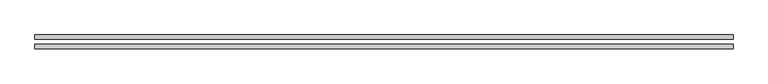
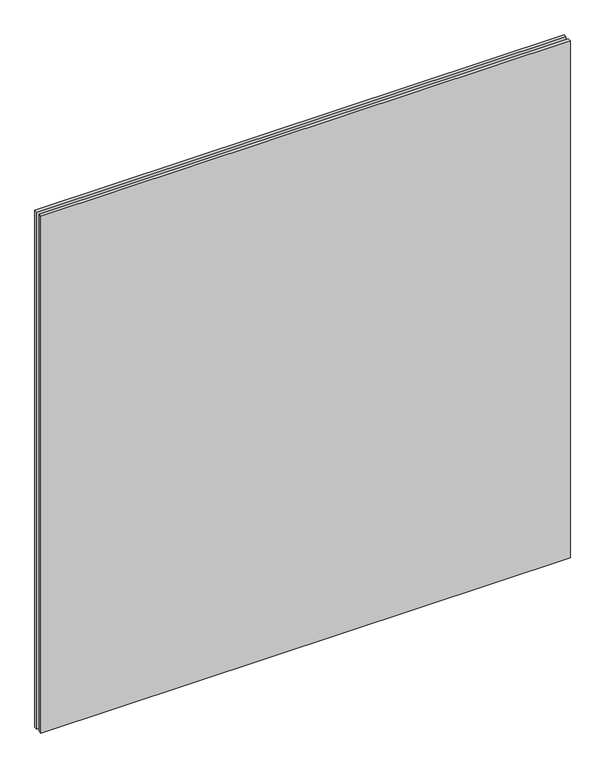
"""IFC4 building model written with IfcOpenShell, lengths in millimetres: plate geometry."""

from ifc_helpers import new_model, si_unit, origin, origin_with_axes, place, context, project, spatial, polyline, outline, extrude, source, transform, mapped, element, save


def plate_a096d16b(model_context):
    return source(origin(), model_context, "Body", "SweptSolid", [
        extrude(outline(polyline([(632.5, -4.5), (632.5, -12.5), (-632.5, -12.5), (-632.5, -4.5), (632.5, -4.5)])), origin_with_axes(), (0.0, 0.0, 1.0), 1305.0),
        extrude(outline(polyline([(632.5, 4.5), (-632.5, 4.5), (-632.5, 12.5), (632.5, 12.5), (632.5, 4.5)])), origin_with_axes(), (0.0, 0.0, 1.0), 1305.0),
    ])


if __name__ == "__main__":
    model = new_model("IFC4")
    model_context = context("Model", 3, world=origin())
    ifc_project = project(units=[si_unit("LENGTHUNIT", "METRE", prefix="MILLI")], contexts=[model_context])
    site = spatial("IfcSite", under=ifc_project)
    building = spatial("IfcBuilding", under=site)
    placement = place(None, origin())
    plate_shape = plate_a096d16b(model_context)
    element("IfcPlate", 1, at=placement, inside=building, context=model_context, shape_type="MappedRepresentation", body=[
        mapped(plate_shape, transform((0.0, 0.0, 0.0), x_axis=(1.0, 0.0, 0.0), y_axis=(0.0, 1.0, 0.0), z_axis=(0.0, 0.0, 1.0))),
    ])
    save(model, "model.ifc")
